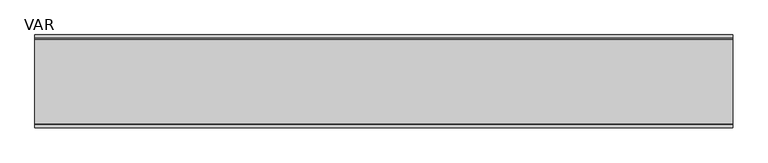
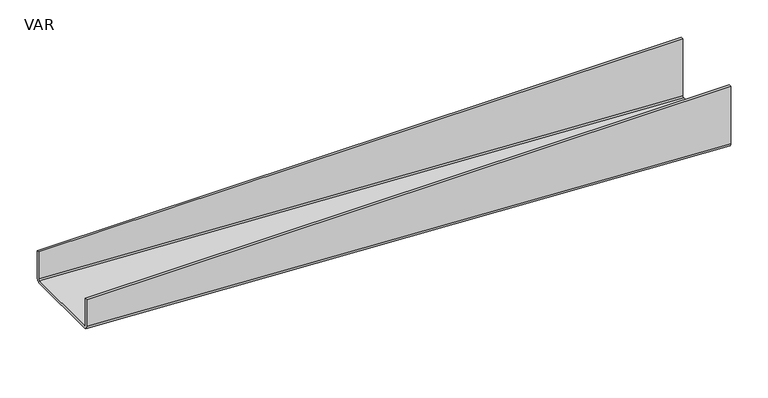
"""IFC4 building model written with IfcOpenShell, lengths in millimetres: sanitary terminal geometry, VAR."""

from ifc_helpers import new_model, si_unit, point, frame, origin, place, context, project, spatial, circle_curve, trimmed, source, transform, mapped, element, save
from ifc_brep_helpers import plane_surface, extruded_surface, advanced_brep


def var_49e7f7a9(model_context):
    return source(origin(), model_context, "Body", "AdvancedBrep", [
        advanced_brep(
        [(1000.0, 66.5, -94.0), (1000.0, 66.5, 0.0), (1000.0, 62.5, 0.0), (1000.0, 62.5, -94.0), (1000.0, 60.5, -96.0), (1000.0, -60.5, -96.0), (1000.0, -62.5, -94.0), (1000.0, -62.5, 0.0), (1000.0, -66.5, 0.0), (1000.0, -66.5, -94.0), (1000.0, -60.5, -100.0), (1000.0, 60.5, -100.0), (0.0, 66.5, -44.0), (0.0, 60.5, -50.0), (0.0, -60.5, -50.0), (0.0, -66.5, -44.0), (0.0, -66.5, 0.0), (0.0, -62.5, 0.0), (0.0, -62.5, -44.0), (0.0, -60.5, -46.0), (0.0, 60.5, -46.0), (0.0, 62.5, -44.0), (0.0, 62.5, 0.0), (0.0, 66.5, 0.0)],
        [
            (0, 1),
            (1, 2),
            (2, 3),
            (3, 4, circle_curve(frame((1000.0, 60.5, -94.0), z_axis=(-1.0, 0.0, 0.0), x_axis=(0.0, 1.0, 0.0)), 2.0)),
            (4, 5),
            (5, 6, circle_curve(frame((1000.0, -60.5, -94.0), z_axis=(-1.0, 0.0, 0.0), x_axis=(0.0, 1.0, 0.0)), 2.0)),
            (6, 7),
            (7, 8),
            (8, 9),
            (9, 10, circle_curve(frame((1000.0, -60.5, -94.0), z_axis=(1.0, 0.0, 0.0), x_axis=(0.0, 1.0, 0.0)), 6.0)),
            (10, 11),
            (11, 0, circle_curve(frame((1000.0, 60.5, -94.0), z_axis=(1.0, 0.0, 0.0), x_axis=(0.0, 1.0, 0.0)), 6.0)),
            (12, 13, circle_curve(frame((0.0, 60.5, -44.0), z_axis=(-1.0, 0.0, 0.0), x_axis=(0.0, 1.0, 0.0)), 6.0)),
            (13, 14),
            (14, 15, circle_curve(frame((0.0, -60.5, -44.0), z_axis=(-1.0, 0.0, 0.0), x_axis=(0.0, 1.0, 0.0)), 6.0)),
            (15, 16),
            (16, 17),
            (17, 18),
            (18, 19, circle_curve(frame((0.0, -60.5, -44.0), z_axis=(1.0, 0.0, 0.0), x_axis=(0.0, 1.0, 0.0)), 2.0)),
            (19, 20),
            (20, 21, circle_curve(frame((0.0, 60.5, -44.0), z_axis=(1.0, 0.0, 0.0), x_axis=(0.0, 1.0, 0.0)), 2.0)),
            (21, 22),
            (22, 23),
            (23, 12),
            (23, 1),
            (0, 12),
            (22, 2),
            (21, 3),
            (20, 4),
            (19, 5),
            (18, 6),
            (17, 7),
            (16, 8),
            (15, 9),
            (14, 10),
            (13, 11),
        ],
        [
            plane_surface(frame((1000.0, 0.0, -64.0), z_axis=(1.0, 0.0, 0.0), x_axis=(0.0, 0.0, 1.0))),
            plane_surface(frame((0.0, 0.0, -30.6666667), z_axis=(-1.0, 0.0, 0.0), x_axis=(0.0, 0.0, 1.0))),
            plane_surface(frame((0.0, 66.5, -22.0), z_axis=(0.0, 1.0, 0.0), x_axis=(0.0, 0.0, 1.0))),
            plane_surface(frame((0.0, 64.5, 0.0), z_axis=(0.0, 0.0, 1.0), x_axis=(0.0, -1.0, 0.0))),
            plane_surface(frame((0.0, 62.5, -22.0), z_axis=(0.0, -1.0, 0.0), x_axis=(0.0, 0.0, -1.0))),
            extruded_surface(trimmed(circle_curve(frame((0.0, 60.5, -44.0), z_axis=(-1.0, 0.0, 0.0), x_axis=(0.0, 1.0, 0.0)), 2.0), [point((0.0, 62.5, -44.0))], [point((0.0, 60.5, -46.0))], True, "CARTESIAN"), (1000.0, 0.0, -50.0), 1001.2492197250393),
            plane_surface(frame((0.0, 0.0, -46.0), z_axis=(0.049937616943891185, 0.0, 0.9987523388778448), x_axis=(0.0, -1.0, 0.0))),
            extruded_surface(trimmed(circle_curve(frame((0.0, -60.5, -44.0), z_axis=(-1.0, 0.0, 0.0), x_axis=(0.0, 1.0, 0.0)), 2.0), [point((0.0, -60.5, -46.0))], [point((0.0, -62.5, -44.0))], True, "CARTESIAN"), (1000.0, 0.0, -50.0), 1001.2492197250393),
            plane_surface(frame((0.0, -62.5, -22.0), z_axis=(0.0, 1.0, 0.0), x_axis=(0.0, 0.0, 1.0))),
            plane_surface(frame((0.0, -64.5, 0.0), z_axis=(0.0, 0.0, 1.0), x_axis=(0.0, -1.0, 0.0))),
            plane_surface(frame((0.0, -66.5, -22.0), z_axis=(0.0, -1.0, 0.0), x_axis=(0.0, 0.0, -1.0))),
            extruded_surface(trimmed(circle_curve(frame((0.0, -60.5, -44.0), z_axis=(1.0, 0.0, 0.0), x_axis=(0.0, 1.0, 0.0)), 6.0), [point((0.0, -66.5, -44.0))], [point((0.0, -60.5, -50.0))], True, "CARTESIAN"), (1000.0, 0.0, -50.0), 1001.2492197250393),
            plane_surface(frame((0.0, 0.0, -50.0), z_axis=(-0.04993761694389117, 0.0, -0.9987523388778448), x_axis=(0.0, 1.0, 0.0))),
            extruded_surface(trimmed(circle_curve(frame((0.0, 60.5, -44.0), z_axis=(1.0, 0.0, 0.0), x_axis=(0.0, 1.0, 0.0)), 6.0), [point((0.0, 60.5, -50.0))], [point((0.0, 66.5, -44.0))], True, "CARTESIAN"), (1000.0, 0.0, -50.0), 1001.2492197250393),
        ],
        [
            (0, [[1, 2, 3, 4, 5, 6, 7, 8, 9, 10, 11, 12]]),
            (1, [[13, 14, 15, 16, 17, 18, 19, 20, 21, 22, 23, 24]]),
            (2, [[-24, 25, -1, 26]]),
            (3, [[-23, 27, -2, -25]]),
            (4, [[-22, 28, -3, -27]]),
            (5, [[-21, 29, -4, -28]]),
            (6, [[-20, 30, -5, -29]]),
            (7, [[-19, 31, -6, -30]]),
            (8, [[-18, 32, -7, -31]]),
            (9, [[-17, 33, -8, -32]]),
            (10, [[-16, 34, -9, -33]]),
            (11, [[-15, 35, -10, -34]]),
            (12, [[-14, 36, -11, -35]]),
            (13, [[-13, -26, -12, -36]]),
        ],
    ),
    ])


if __name__ == "__main__":
    model = new_model("IFC4")
    model_context = context("Model", 3, world=origin())
    ifc_project = project(units=[si_unit("LENGTHUNIT", "METRE", prefix="MILLI")], contexts=[model_context])
    site = spatial("IfcSite", under=ifc_project)
    building = spatial("IfcBuilding", under=site)
    placement = place(None, origin())
    var_shape = var_49e7f7a9(model_context)
    element("IfcSanitaryTerminal", 1, ObjectType="VAR", at=placement, inside=building, context=model_context, shape_type="MappedRepresentation", body=[
        mapped(var_shape, transform((0.0, 0.0, 0.0), x_axis=(1.0, 0.0, 0.0), y_axis=(0.0, 1.0, 0.0), z_axis=(0.0, 0.0, 1.0))),
    ])
    save(model, "model.ifc")
